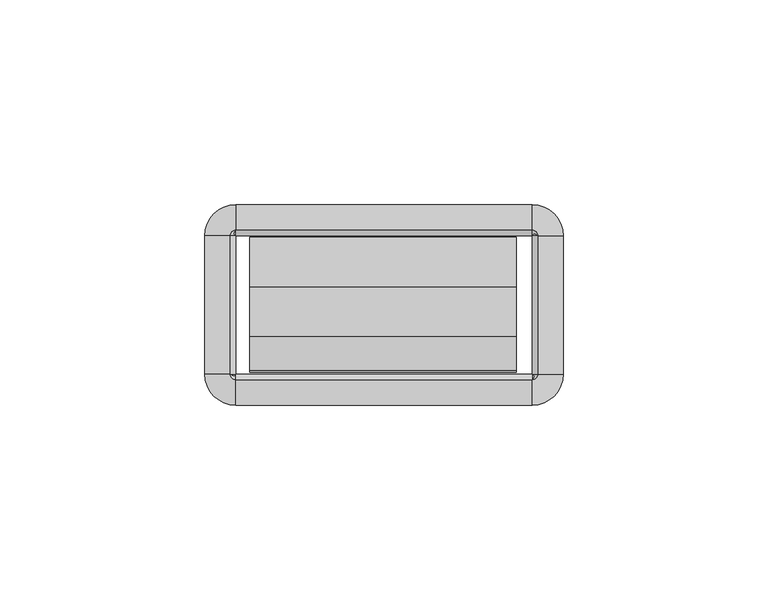
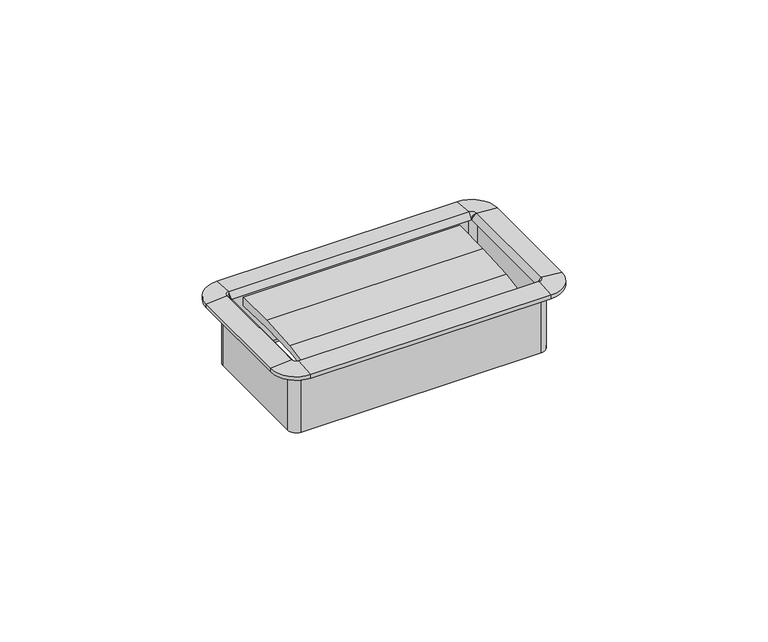
"""IFC4 building model written with IfcOpenShell, lengths in millimetres: furniture geometry."""

from ifc_helpers import new_model, si_unit, frame, origin, place, context, project, spatial, polyline, circle_curve, outline, extrude, source, transform, mapped, element, save
from ifc_brep_helpers import plane_surface, cylinder_surface, revolved_surface, advanced_brep


def furniture_f39700b4(model_context):
    return source(origin(), model_context, "Body", "SolidModel", [
        extrude(outline(polyline([(-27.4015977, 712.0813463), (-35.841251, 711.0177762), (-35.4230807, 712.3957243), (-27.1272776, 713.9347401), (-15.0207956, 714.7283076), (-2.8884162, 714.7734028), (-2.9633248, 712.0152515), (-15.1814712, 712.4142355), (-27.4015977, 712.0813463)])), frame((-32.8496732, 0.0, 0.0), z_axis=(1.0, 0.0, 0.0), x_axis=(0.0, 1.0, 0.0)), (0.0, 0.0, 1.0), 65.1763996),
        advanced_brep(
        [(37.8602578, -2.54, 715.01), (36.1704551, -0.8501974, 715.01), (36.1704551, -0.8501974, 696.1632), (37.8602578, -2.54, 696.1632), (37.5244377, -2.54, 716.6752454), (36.1704551, -1.1860174, 716.6752454), (36.1704551, -2.5172282, 715.01), (43.7913825, -2.54, 716.153), (36.1704551, 5.0809274, 716.153), (43.7913825, -2.54, 715.01), (36.1704551, 5.0809274, 715.01), (38.7104551, -2.54, 694.6899989), (36.1704551, 0.0, 694.6899989), (36.1704551, 0.0, 715.01), (38.7104551, -2.54, 715.01), (37.8602578, -36.2712, 696.1632), (37.8602578, -36.2712, 715.01), (36.1932269, -36.2712, 715.01), (37.5244377, -36.2712, 716.6752454), (43.7913825, -36.2712, 716.153), (43.7913825, -36.2712, 715.01), (38.7104551, -36.2712, 715.01), (38.7104551, -36.2712, 694.6899989), (36.1704551, -37.9610026, 715.01), (36.1704551, -37.9610026, 696.1632), (36.1704551, -37.6251826, 716.6752454), (36.1704551, -43.8921274, 716.153), (36.1704551, -43.8921274, 715.01), (36.1704551, -38.8112, 694.6899989), (36.1704551, -38.8112, 715.01), (-36.1687428, -37.9610026, 696.1632), (-36.1687428, -37.9610026, 715.01), (-36.1687428, -36.2939718, 715.01), (-36.1687428, -37.6251826, 716.6752454), (-36.1687428, -43.8921274, 716.153), (-36.1687428, -43.8921274, 715.01), (-36.1687428, -38.8112, 715.01), (-36.1687428, -38.8112, 694.6899989), (-37.8585455, -36.2712, 715.01), (-37.8585455, -36.2712, 696.1632), (-37.5227254, -36.2712, 716.6752454), (-43.7896702, -36.2712, 716.153), (-43.7896702, -36.2712, 715.01), (-38.7087428, -36.2712, 694.6899989), (-38.7087428, -36.2712, 715.01), (-37.8585455, -2.54, 696.1632), (-37.8585455, -2.54, 715.01), (-36.1915146, -2.54, 715.01), (-37.5227254, -2.54, 716.6752454), (-43.7896702, -2.54, 716.153), (-43.7896702, -2.54, 715.01), (-38.7087428, -2.54, 715.01), (-38.7087428, -2.54, 694.6899989), (-36.1687428, -0.8501974, 715.01), (-36.1687428, -0.8501974, 696.1632), (-36.1687428, -1.1860174, 716.6752454), (-36.1687428, 5.0809274, 716.153), (-36.1687428, 5.0809274, 715.01), (-36.1687428, 0.0, 694.6899989), (-36.1687428, 0.0, 715.01), (38.6519521, -2.54, 696.1632), (36.1704551, -0.058503, 696.1632), (38.6519521, -36.2712, 696.1632), (36.1704551, -38.752697, 696.1632), (-36.1687428, -38.752697, 696.1632), (-38.6502398, -36.2712, 696.1632), (-38.6502398, -2.54, 696.1632), (-36.1687428, -0.058503, 696.1632)],
        [
            (0, 1, circle_curve(frame((36.1704551, -2.54, 715.01), z_axis=(0.0, 0.0, 1.0), x_axis=(0.0, 1.0, 0.0)), 1.6898026)),
            (1, 2),
            (2, 3, circle_curve(frame((36.1704551, -2.54, 696.1632), z_axis=(0.0, 0.0, -1.0), x_axis=(0.0, 1.0, 0.0)), 1.6898026)),
            (3, 0),
            (4, 5, circle_curve(frame((36.1704551, -2.54, 716.6752454), z_axis=(0.0, 0.0, 1.0), x_axis=(0.0, 1.0, 0.0)), 1.3539826)),
            (5, 6),
            (6, 4),
            (7, 8, circle_curve(frame((36.1704551, -2.54, 716.153), z_axis=(0.0, 0.0, 1.0), x_axis=(0.0, 1.0, 0.0)), 7.6209274)),
            (8, 5),
            (4, 7),
            (9, 10, circle_curve(frame((36.1704551, -2.54, 715.01), z_axis=(0.0, 0.0, 1.0), x_axis=(0.0, 1.0, 0.0)), 7.6209274)),
            (10, 8),
            (7, 9),
            (11, 12, circle_curve(frame((36.1704551, -2.54, 694.6899989), z_axis=(0.0, 0.0, 1.0), x_axis=(0.0, 1.0, 0.0)), 2.54)),
            (12, 13),
            (13, 14, circle_curve(frame((36.1704551, -2.54, 715.01), z_axis=(0.0, 0.0, -1.0), x_axis=(0.0, 1.0, 0.0)), 2.54)),
            (14, 11),
            (3, 15),
            (15, 16),
            (16, 0),
            (6, 17),
            (17, 18),
            (18, 4),
            (18, 19),
            (19, 7),
            (19, 20),
            (20, 9),
            (14, 21),
            (21, 22),
            (22, 11),
            (23, 16, circle_curve(frame((36.1704551, -36.2712, 715.01), z_axis=(0.0, 0.0, 1.0), x_axis=(1.0, 0.0, 0.0)), 1.6898026)),
            (15, 24, circle_curve(frame((36.1704551, -36.2712, 696.1632), z_axis=(0.0, 0.0, -1.0), x_axis=(1.0, 0.0, 0.0)), 1.6898026)),
            (24, 23),
            (25, 18, circle_curve(frame((36.1704551, -36.2712, 716.6752454), z_axis=(0.0, 0.0, 1.0), x_axis=(1.0, 0.0, 0.0)), 1.3539826)),
            (17, 25),
            (26, 19, circle_curve(frame((36.1704551, -36.2712, 716.153), z_axis=(0.0, 0.0, 1.0), x_axis=(1.0, 0.0, 0.0)), 7.6209274)),
            (25, 26),
            (27, 20, circle_curve(frame((36.1704551, -36.2712, 715.01), z_axis=(0.0, 0.0, 1.0), x_axis=(1.0, 0.0, 0.0)), 7.6209274)),
            (26, 27),
            (28, 22, circle_curve(frame((36.1704551, -36.2712, 694.6899989), z_axis=(0.0, 0.0, 1.0), x_axis=(1.0, 0.0, 0.0)), 2.54)),
            (21, 29, circle_curve(frame((36.1704551, -36.2712, 715.01), z_axis=(0.0, 0.0, -1.0), x_axis=(1.0, 0.0, 0.0)), 2.54)),
            (29, 28),
            (24, 30),
            (30, 31),
            (31, 23),
            (17, 32),
            (32, 33),
            (33, 25),
            (33, 34),
            (34, 26),
            (34, 35),
            (35, 27),
            (29, 36),
            (36, 37),
            (37, 28),
            (38, 31, circle_curve(frame((-36.1687428, -36.2712, 715.01), z_axis=(0.0, 0.0, 1.0), x_axis=(0.0, -1.0, 0.0)), 1.6898026)),
            (30, 39, circle_curve(frame((-36.1687428, -36.2712, 696.1632), z_axis=(0.0, 0.0, -1.0), x_axis=(0.0, -1.0, 0.0)), 1.6898026)),
            (39, 38),
            (40, 33, circle_curve(frame((-36.1687428, -36.2712, 716.6752454), z_axis=(0.0, 0.0, 1.0), x_axis=(0.0, -1.0, 0.0)), 1.3539826)),
            (32, 40),
            (41, 34, circle_curve(frame((-36.1687428, -36.2712, 716.153), z_axis=(0.0, 0.0, 1.0), x_axis=(0.0, -1.0, 0.0)), 7.6209274)),
            (40, 41),
            (42, 35, circle_curve(frame((-36.1687428, -36.2712, 715.01), z_axis=(0.0, 0.0, 1.0), x_axis=(0.0, -1.0, 0.0)), 7.6209274)),
            (41, 42),
            (43, 37, circle_curve(frame((-36.1687428, -36.2712, 694.6899989), z_axis=(0.0, 0.0, 1.0), x_axis=(0.0, -1.0, 0.0)), 2.54)),
            (36, 44, circle_curve(frame((-36.1687428, -36.2712, 715.01), z_axis=(0.0, 0.0, -1.0), x_axis=(0.0, -1.0, 0.0)), 2.54)),
            (44, 43),
            (39, 45),
            (45, 46),
            (46, 38),
            (32, 47),
            (47, 48),
            (48, 40),
            (48, 49),
            (49, 41),
            (49, 50),
            (50, 42),
            (44, 51),
            (51, 52),
            (52, 43),
            (53, 46, circle_curve(frame((-36.1687428, -2.54, 715.01), z_axis=(0.0, 0.0, 1.0), x_axis=(-1.0, 0.0, 0.0)), 1.6898026)),
            (45, 54, circle_curve(frame((-36.1687428, -2.54, 696.1632), z_axis=(0.0, 0.0, -1.0), x_axis=(-1.0, 0.0, 0.0)), 1.6898026)),
            (54, 53),
            (55, 48, circle_curve(frame((-36.1687428, -2.54, 716.6752454), z_axis=(0.0, 0.0, 1.0), x_axis=(-1.0, 0.0, 0.0)), 1.3539826)),
            (47, 55),
            (56, 49, circle_curve(frame((-36.1687428, -2.54, 716.153), z_axis=(0.0, 0.0, 1.0), x_axis=(-1.0, 0.0, 0.0)), 7.6209274)),
            (55, 56),
            (57, 50, circle_curve(frame((-36.1687428, -2.54, 715.01), z_axis=(0.0, 0.0, 1.0), x_axis=(-1.0, 0.0, 0.0)), 7.6209274)),
            (56, 57),
            (58, 52, circle_curve(frame((-36.1687428, -2.54, 694.6899989), z_axis=(0.0, 0.0, 1.0), x_axis=(-1.0, 0.0, 0.0)), 2.54)),
            (51, 59, circle_curve(frame((-36.1687428, -2.54, 715.01), z_axis=(0.0, 0.0, -1.0), x_axis=(-1.0, 0.0, 0.0)), 2.54)),
            (59, 58),
            (54, 2),
            (1, 53),
            (6, 47),
            (5, 55),
            (8, 56),
            (10, 57),
            (13, 59),
            (12, 58),
            (60, 61, circle_curve(frame((36.1704551, -2.54, 696.1632), z_axis=(0.0, 0.0, 1.0), x_axis=(0.0, 1.0, 0.0)), 2.481497)),
            (61, 12),
            (11, 60),
            (22, 62),
            (62, 60),
            (63, 62, circle_curve(frame((36.1704551, -36.2712, 696.1632), z_axis=(0.0, 0.0, 1.0), x_axis=(1.0, 0.0, 0.0)), 2.481497)),
            (28, 63),
            (37, 64),
            (64, 63),
            (65, 64, circle_curve(frame((-36.1687428, -36.2712, 696.1632), z_axis=(0.0, 0.0, 1.0), x_axis=(0.0, -1.0, 0.0)), 2.481497)),
            (43, 65),
            (52, 66),
            (66, 65),
            (67, 66, circle_curve(frame((-36.1687428, -2.54, 696.1632), z_axis=(0.0, 0.0, 1.0), x_axis=(-1.0, 0.0, 0.0)), 2.481497)),
            (58, 67),
            (61, 67),
        ],
        [
            revolved_surface(polyline([(36.1704551, -0.8501974000000001, 696.1632), (36.1704551, -0.8501974000000001, 715.01)]), (36.1704551, -2.54, 715.01), (0.0, 0.0, -1.0)),
            revolved_surface(polyline([(36.1704551, -2.5172282, 715.01), (36.1704551, -1.1860174, 716.6752454)]), (36.1704551, -2.54, 715.01), (0.0, 0.0, -1.0)),
            revolved_surface(polyline([(36.1704551, -1.1860174, 716.6752454), (36.1704551, 5.0809274, 716.153)]), (36.1704551, -2.54, 715.01), (0.0, 0.0, -1.0)),
            cylinder_surface(frame((36.1704551, -2.54, 715.01), z_axis=(0.0, 0.0, -1.0), x_axis=(0.0, 1.0, 0.0)), 7.6209274),
            cylinder_surface(frame((36.1704551, -2.54, 715.01), z_axis=(0.0, 0.0, -1.0), x_axis=(0.0, 1.0, 0.0)), 2.54),
            plane_surface(frame((37.8602578, -2.54, 696.1632), z_axis=(-1.0, 0.0, 0.0), x_axis=(0.0, -1.0, 0.0))),
            plane_surface(frame((36.1932269, -2.54, 715.01), z_axis=(-0.7810942622858547, 0.0, 0.6244131272035499), x_axis=(0.0, -1.0, 0.0))),
            plane_surface(frame((37.5244377, -2.54, 716.6752454), z_axis=(0.08304548081379862, 0.0, 0.9965457581648749), x_axis=(0.0, -1.0, 0.0))),
            plane_surface(frame((43.7913825, -2.54, 716.153), z_axis=(1.0, 0.0, 0.0), x_axis=(0.0, -1.0, 0.0))),
            plane_surface(frame((38.7104551, -2.54, 715.01), z_axis=(1.0, 0.0, 0.0), x_axis=(0.0, -1.0, 0.0))),
            revolved_surface(polyline([(37.8602577, -36.2712, 696.1632), (37.8602577, -36.2712, 715.01)]), (36.1704551, -36.2712, 715.01), (0.0, 0.0, -1.0)),
            revolved_surface(polyline([(36.1932269, -36.2712, 715.01), (37.5244377, -36.2712, 716.6752454)]), (36.1704551, -36.2712, 715.01), (0.0, 0.0, -1.0)),
            revolved_surface(polyline([(37.5244377, -36.2712, 716.6752454), (43.7913825, -36.2712, 716.153)]), (36.1704551, -36.2712, 715.01), (0.0, 0.0, -1.0)),
            cylinder_surface(frame((36.1704551, -36.2712, 715.01), z_axis=(0.0, 0.0, -1.0), x_axis=(1.0, 0.0, 0.0)), 7.6209274),
            cylinder_surface(frame((36.1704551, -36.2712, 715.01), z_axis=(0.0, 0.0, -1.0), x_axis=(1.0, 0.0, 0.0)), 2.54),
            plane_surface(frame((36.1704551, -37.9610026, 696.1632), z_axis=(0.0, 1.0, 0.0), x_axis=(-1.0, 0.0, 0.0))),
            plane_surface(frame((36.1704551, -36.2939718, 715.01), z_axis=(0.0, 0.7810942622858565, 0.6244131272035475), x_axis=(-1.0, 0.0, 0.0))),
            plane_surface(frame((36.1704551, -37.6251826, 716.6752454), z_axis=(0.0, -0.08304548081379555, 0.9965457581648751), x_axis=(-1.0, 0.0, 0.0))),
            plane_surface(frame((36.1704551, -43.8921274, 716.153), z_axis=(0.0, -1.0, 0.0), x_axis=(-1.0, 0.0, 0.0))),
            plane_surface(frame((36.1704551, -38.8112, 715.01), z_axis=(0.0, -1.0, 0.0), x_axis=(-1.0, 0.0, 0.0))),
            revolved_surface(polyline([(-36.1687428, -37.9610026, 696.1632), (-36.1687428, -37.9610026, 715.01)]), (-36.1687428, -36.2712, 715.01), (0.0, 0.0, -1.0)),
            revolved_surface(polyline([(-36.1687428, -36.2939718, 715.01), (-36.1687428, -37.6251826, 716.6752454)]), (-36.1687428, -36.2712, 715.01), (0.0, 0.0, -1.0)),
            revolved_surface(polyline([(-36.1687428, -37.6251826, 716.6752454), (-36.1687428, -43.8921274, 716.153)]), (-36.1687428, -36.2712, 715.01), (0.0, 0.0, -1.0)),
            cylinder_surface(frame((-36.1687428, -36.2712, 715.01), z_axis=(0.0, 0.0, -1.0), x_axis=(0.0, -1.0, 0.0)), 7.6209274),
            cylinder_surface(frame((-36.1687428, -36.2712, 715.01), z_axis=(0.0, 0.0, -1.0), x_axis=(0.0, -1.0, 0.0)), 2.54),
            plane_surface(frame((-37.8585455, -36.2712, 696.1632), z_axis=(1.0, 0.0, 0.0), x_axis=(0.0, 1.0, 0.0))),
            plane_surface(frame((-36.1915146, -36.2712, 715.01), z_axis=(0.7810942622858585, 0.0, 0.6244131272035451), x_axis=(0.0, 1.0, 0.0))),
            plane_surface(frame((-37.5227254, -36.2712, 716.6752454), z_axis=(-0.08304548081379248, 0.0, 0.9965457581648753), x_axis=(0.0, 1.0, 0.0))),
            plane_surface(frame((-43.7896702, -36.2712, 716.153), z_axis=(-1.0, 0.0, 0.0), x_axis=(0.0, 1.0, 0.0))),
            plane_surface(frame((-38.7087428, -36.2712, 715.01), z_axis=(-1.0, 0.0, 0.0), x_axis=(0.0, 1.0, 0.0))),
            revolved_surface(polyline([(-37.8585454, -2.54, 696.1632), (-37.8585454, -2.54, 715.01)]), (-36.1687428, -2.54, 715.01), (0.0, 0.0, -1.0)),
            revolved_surface(polyline([(-36.1915146, -2.54, 715.01), (-37.5227254, -2.54, 716.6752454)]), (-36.1687428, -2.54, 715.01), (0.0, 0.0, -1.0)),
            revolved_surface(polyline([(-37.5227254, -2.54, 716.6752454), (-43.7896702, -2.54, 716.153)]), (-36.1687428, -2.54, 715.01), (0.0, 0.0, -1.0)),
            cylinder_surface(frame((-36.1687428, -2.54, 715.01), z_axis=(0.0, 0.0, -1.0), x_axis=(-1.0, 0.0, 0.0)), 7.6209274),
            cylinder_surface(frame((-36.1687428, -2.54, 715.01), z_axis=(0.0, 0.0, -1.0), x_axis=(-1.0, 0.0, 0.0)), 2.54),
            plane_surface(frame((-36.1687428, -0.8501974, 696.1632), z_axis=(0.0, -1.0, 0.0), x_axis=(1.0, 0.0, 0.0))),
            plane_surface(frame((-36.1687428, -0.8501974, 715.01), z_axis=(0.0, 0.0, -1.0), x_axis=(1.0, 0.0, 0.0))),
            plane_surface(frame((-36.1687428, -2.5172282, 715.01), z_axis=(0.0, -0.7810942622858567, 0.6244131272035476), x_axis=(1.0, 0.0, 0.0))),
            plane_surface(frame((-36.1687428, -1.1860174, 716.6752454), z_axis=(0.0, 0.08304548081379555, 0.9965457581648751), x_axis=(1.0, 0.0, 0.0))),
            plane_surface(frame((-36.1687428, 5.0809274, 716.153), z_axis=(0.0, 1.0, 0.0), x_axis=(1.0, 0.0, 0.0))),
            plane_surface(frame((-36.1687428, 5.0809274, 715.01), z_axis=(0.0, 0.0, -1.0), x_axis=(1.0, 0.0, 0.0))),
            plane_surface(frame((-36.1687428, 0.0, 715.01), z_axis=(0.0, 1.0, 0.0), x_axis=(1.0, 0.0, 0.0))),
            revolved_surface(polyline([(36.1704551, 0.0, 694.6899989), (36.1704551, -0.058503, 696.1632)]), (36.1704551, -2.54, 715.01), (0.0, 0.0, -1.0)),
            plane_surface(frame((38.7104551, -2.54, 694.6899989), z_axis=(-0.9992124303949471, 0.0, -0.03968020847000604), x_axis=(0.0, -1.0, 0.0))),
            revolved_surface(polyline([(38.7104551, -36.2712, 694.6899989), (38.6519521, -36.2712, 696.1632)]), (36.1704551, -36.2712, 715.01), (0.0, 0.0, -1.0)),
            plane_surface(frame((36.1704551, -38.8112, 694.6899989), z_axis=(0.0, 0.999212430394947, -0.039680208470009116), x_axis=(-1.0, 0.0, 0.0))),
            revolved_surface(polyline([(-36.1687428, -38.8112, 694.6899989), (-36.1687428, -38.752697, 696.1632)]), (-36.1687428, -36.2712, 715.01), (0.0, 0.0, -1.0)),
            plane_surface(frame((-38.7087428, -36.2712, 694.6899989), z_axis=(0.9992124303949469, 0.0, -0.03968020847001219), x_axis=(0.0, 1.0, 0.0))),
            revolved_surface(polyline([(-38.7087428, -2.54, 694.6899989), (-38.6502398, -2.54, 696.1632)]), (-36.1687428, -2.54, 715.01), (0.0, 0.0, -1.0)),
            plane_surface(frame((-36.1687428, 0.0, 694.6899989), z_axis=(0.0, -0.999212430394947, -0.039680208470009116), x_axis=(1.0, 0.0, 0.0))),
            plane_surface(frame((-36.1687428, -0.058503, 696.1632), z_axis=(0.0, 0.0, -1.0), x_axis=(1.0, 0.0, 0.0))),
        ],
        [
            (0, [[1, 2, 3, 4]]),
            (1, [[5, 6, 7]]),
            (2, [[8, 9, -5, 10]]),
            (3, [[11, 12, -8, 13]]),
            (4, [[14, 15, 16, 17]]),
            (5, [[-4, 18, 19, 20]]),
            (6, [[-7, 21, 22, 23]]),
            (7, [[-10, -23, 24, 25]]),
            (8, [[-13, -25, 26, 27]]),
            (9, [[-17, 28, 29, 30]]),
            (10, [[31, -19, 32, 33]]),
            (11, [[34, -22, 35]]),
            (12, [[36, -24, -34, 37]]),
            (13, [[38, -26, -36, 39]]),
            (14, [[40, -29, 41, 42]]),
            (15, [[-33, 43, 44, 45]]),
            (16, [[-35, 46, 47, 48]]),
            (17, [[-37, -48, 49, 50]]),
            (18, [[-39, -50, 51, 52]]),
            (19, [[-42, 53, 54, 55]]),
            (20, [[56, -44, 57, 58]]),
            (21, [[59, -47, 60]]),
            (22, [[61, -49, -59, 62]]),
            (23, [[63, -51, -61, 64]]),
            (24, [[65, -54, 66, 67]]),
            (25, [[-58, 68, 69, 70]]),
            (26, [[-60, 71, 72, 73]]),
            (27, [[-62, -73, 74, 75]]),
            (28, [[-64, -75, 76, 77]]),
            (29, [[-67, 78, 79, 80]]),
            (30, [[81, -69, 82, 83]]),
            (31, [[84, -72, 85]]),
            (32, [[86, -74, -84, 87]]),
            (33, [[88, -76, -86, 89]]),
            (34, [[90, -79, 91, 92]]),
            (35, [[-83, 93, -2, 94]]),
            (36, [[-70, -81, -94, -1, -20, -31, -45, -56], [95, -71, -46, -21]]),
            (37, [[-85, -95, -6, 96]]),
            (38, [[-87, -96, -9, 97]]),
            (39, [[-89, -97, -12, 98]]),
            (40, [[-77, -88, -98, -11, -27, -38, -52, -63], [99, -91, -78, -66, -53, -41, -28, -16]]),
            (41, [[-92, -99, -15, 100]]),
            (42, [[101, 102, -14, 103]]),
            (43, [[-103, -30, 104, 105]]),
            (44, [[106, -104, -40, 107]]),
            (45, [[-107, -55, 108, 109]]),
            (46, [[110, -108, -65, 111]]),
            (47, [[-111, -80, 112, 113]]),
            (48, [[114, -112, -90, 115]]),
            (49, [[-115, -100, -102, 116]]),
            (50, [[-113, -114, -116, -101, -105, -106, -109, -110], [-93, -82, -68, -57, -43, -32, -18, -3]]),
        ],
    ),
    ])


if __name__ == "__main__":
    model = new_model("IFC4")
    model_context = context("Model", 3, world=origin())
    ifc_project = project(units=[si_unit("LENGTHUNIT", "METRE", prefix="MILLI")], contexts=[model_context])
    site = spatial("IfcSite", under=ifc_project)
    building = spatial("IfcBuilding", under=site)
    placement = place(None, origin())
    furniture_shape = furniture_f39700b4(model_context)
    element("IfcFurniture", 1, at=placement, inside=building, context=model_context, shape_type="MappedRepresentation", body=[
        mapped(furniture_shape, transform((0.0, 0.0, 0.0), x_axis=(1.0, 0.0, 0.0), y_axis=(0.0, 1.0, 0.0), z_axis=(0.0, 0.0, 1.0))),
    ])
    save(model, "model.ifc")
